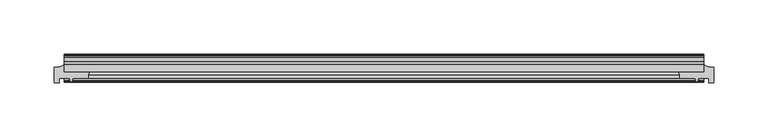
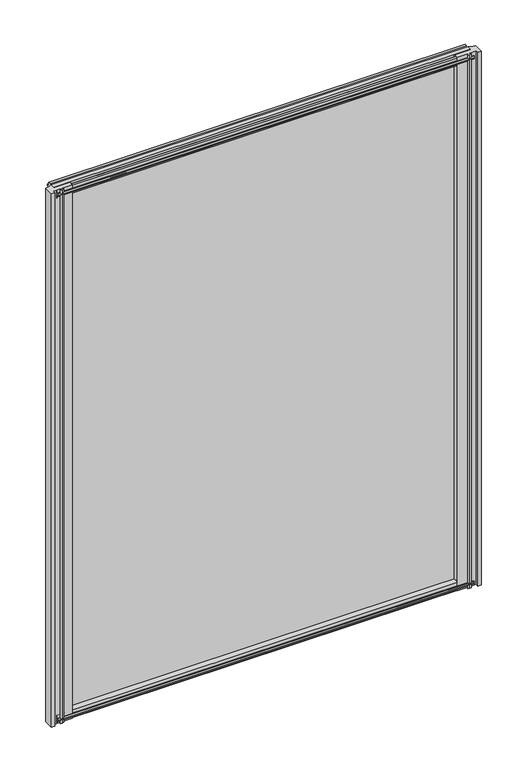
"""IFC4 building model written with IfcOpenShell, lengths in millimetres: plate geometry."""

from ifc_helpers import new_model, si_unit, point, frame, frame_2d, origin, place, context, project, spatial, polyline, circle_curve, trimmed, segment, composite_curve, outline, extrude, source, transform, mapped, element, save


def plate_65f0e4f4(model_context):
    return source(origin(), model_context, "Body", "SweptSolid", [
        extrude(outline(polyline([(-295.277249, -19.5460937), (295.277249, -19.5460937), (295.277249, -25.8960937), (-295.277249, -25.8960937), (-295.277249, -19.5460937)])), frame((0.0, 0.0, -12.7), z_axis=(0.0, 0.0, 1.0), x_axis=(1.0, 0.0, 0.0)), (0.0, 0.0, 1.0), 800.1),
        extrude(outline(composite_curve([segment(polyline([(304.802249, -22.0782211), (304.802249, -36.1501817), (300.027049, -36.1501817), (300.027049, -32.2460937), (290.2015343, -32.2460937), (289.8840343, -34.3506957), (291.1026402, -34.0241712), (291.3064343, -34.7847412), (288.9315343, -35.4210937), (286.5566343, -34.7847412), (286.7604285, -34.0241712), (287.9790343, -34.3506957), (287.6615343, -32.2460937), (273.053103, -32.2460937)]), True, "CONTINUOUS"), segment(trimmed(circle_curve(frame_2d((264.2476731, -30.493422)), 8.9781654), [point((273.053103, -32.2460937))], [point((271.959484, -25.8960937))], True, "CARTESIAN"), True, "CONTINUOUS"), segment(polyline([(271.959484, -25.8960937), (295.2815343, -25.8960937), (295.2815343, -19.5460937)]), True, "CONTINUOUS"), segment(trimmed(circle_curve(frame_2d((304.802249, -2.913372)), 19.164849), [point((295.2815343, -19.5460937))], [point((304.802249, -22.0782211))], True, "CARTESIAN"), True, "CONTINUOUS")], self_intersect=False)), frame((0.0, 0.0, -12.7), z_axis=(0.0, 0.0, 1.0), x_axis=(1.0, 0.0, 0.0)), (0.0, 0.0, 1.0), 800.1),
        extrude(outline(composite_curve([segment(trimmed(circle_curve(frame_2d((-304.802249, -2.913372)), 19.164849), [point((-304.802249, -22.0782211))], [point((-295.2815343, -19.5460937))], True, "CARTESIAN"), True, "CONTINUOUS"), segment(polyline([(-295.2815343, -19.5460937), (-295.2815343, -25.8960937), (-271.959484, -25.8960937)]), True, "CONTINUOUS"), segment(trimmed(circle_curve(frame_2d((-264.2476731, -30.493422)), 8.9781654), [point((-271.959484, -25.8960937))], [point((-273.053103, -32.2460937))], True, "CARTESIAN"), True, "CONTINUOUS"), segment(polyline([(-273.053103, -32.2460937), (-287.6615343, -32.2460937), (-287.9790343, -34.3506957), (-286.7604285, -34.0241712), (-286.5566343, -34.7847412), (-288.9315343, -35.4210937), (-291.3064343, -34.7847412), (-291.1026402, -34.0241712), (-289.8840343, -34.3506957), (-290.2015343, -32.2460937), (-300.027049, -32.2460937), (-300.027049, -36.1501817), (-304.802249, -36.1501817), (-304.802249, -22.0782211)]), True, "CONTINUOUS")], self_intersect=False)), frame((0.0, 0.0, -12.7), z_axis=(0.0, 0.0, 1.0), x_axis=(1.0, 0.0, 0.0)), (0.0, 0.0, 1.0), 800.1),
        extrude(outline(polyline([(-13.1960937, 787.1587), (-13.1960937, 782.7137), (-10.8158968, 782.3327), (-11.27583, 783.7482291), (-10.4746158, 783.7482291), (-9.7670937, 781.5707), (-10.4746158, 779.3931709), (-11.27583, 779.3931709), (-10.8158968, 780.8087), (-13.1960937, 780.4277), (-13.1960937, 775.2207), (-19.5460937, 773.1154229), (-19.5460937, 784.9460038), (-16.1424937, 787.1587), (-13.1960937, 787.1587)])), frame((-295.277249, 0.0, 0.0), z_axis=(1.0, 0.0, 0.0), x_axis=(0.0, 1.0, 0.0)), (0.0, 0.0, 1.0), 590.5544979),
        extrude(outline(polyline([(-29.2996937, 786.638), (-25.8960937, 784.4253038), (-25.8960937, 772.5947229), (-32.2460937, 774.7), (-32.2460937, 779.907), (-34.6262907, 780.288), (-34.1663575, 778.872471), (-34.9675717, 778.872471), (-35.6750937, 781.05), (-34.9675717, 783.2275291), (-34.1663575, 783.2275291), (-34.6262907, 781.812), (-32.2460937, 782.193), (-32.2460937, 786.638), (-29.2996937, 786.638)])), frame((-295.277249, 0.0, 0.0), z_axis=(1.0, 0.0, 0.0), x_axis=(0.0, 1.0, 0.0)), (0.0, 0.0, 1.0), 590.5544979),
        extrude(outline(polyline([(-25.8960937, 2.1052771), (-25.8960937, -9.7253038), (-29.2996937, -11.938), (-32.2460937, -11.938), (-32.2460937, -7.493), (-34.6262907, -7.112), (-34.1663575, -8.5275291), (-34.9675717, -8.5275291), (-35.6750937, -6.35), (-34.9675717, -4.1724709), (-34.1663575, -4.1724709), (-34.6262907, -5.588), (-32.2460937, -5.207), (-32.2460937, 0.0), (-25.8960937, 2.1052771)])), frame((-295.277249, 0.0, 0.0), z_axis=(1.0, 0.0, 0.0), x_axis=(0.0, 1.0, 0.0)), (0.0, 0.0, 1.0), 590.5544979),
        extrude(outline(polyline([(-19.5460937, 1.5845771), (-13.1960937, -0.5207), (-13.1960937, -5.7277), (-10.8158968, -6.1087), (-11.27583, -4.6931709), (-10.4746158, -4.6931709), (-9.7670937, -6.8707), (-10.4746158, -9.048229), (-11.27583, -9.048229), (-10.8158968, -7.6327), (-13.1960937, -8.0137), (-13.1960937, -12.4587), (-16.1424937, -12.4587), (-19.5460937, -10.2460038), (-19.5460937, 1.5845771)])), frame((-295.277249, 0.0, 0.0), z_axis=(1.0, 0.0, 0.0), x_axis=(0.0, 1.0, 0.0)), (0.0, 0.0, 1.0), 590.5544979),
    ])


if __name__ == "__main__":
    model = new_model("IFC4")
    model_context = context("Model", 3, world=origin())
    ifc_project = project(units=[si_unit("LENGTHUNIT", "METRE", prefix="MILLI")], contexts=[model_context])
    site = spatial("IfcSite", under=ifc_project)
    building = spatial("IfcBuilding", under=site)
    placement = place(None, origin())
    plate_shape = plate_65f0e4f4(model_context)
    element("IfcPlate", 1, at=placement, inside=building, context=model_context, shape_type="MappedRepresentation", body=[
        mapped(plate_shape, transform((0.0, 0.0, 0.0), x_axis=(1.0, 0.0, 0.0), y_axis=(0.0, 1.0, 0.0), z_axis=(0.0, 0.0, 1.0))),
    ])
    save(model, "model.ifc")
